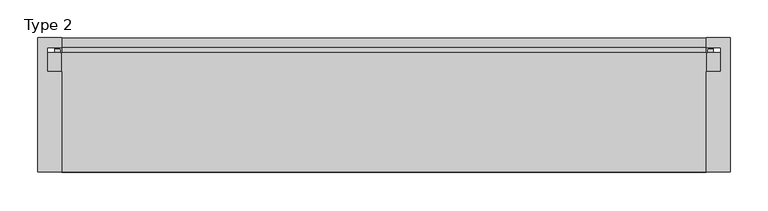
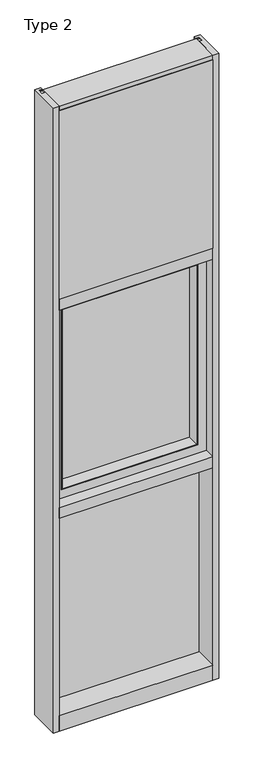
"""IFC4 building model written with IfcOpenShell, lengths in millimetres: plate geometry, Type 2."""

from ifc_helpers import new_model, si_unit, point, frame, frame_2d, origin, place, context, project, spatial, polyline, circle_curve, trimmed, segment, composite_curve, outline, extrude, faceted_brep, source, transform, mapped, element, save


def type_2_5f0fc532(model_context):
    return source(origin(), model_context, "Body", "SolidModel", [
        extrude(outline(composite_curve([segment(polyline([(-425.5265008, 34.0361122), (-425.9374462, 27.686), (-426.9039521, 27.686), (-426.9314595, 31.7563748)]), True, "CONTINUOUS"), segment(trimmed(circle_curve(frame_2d((-427.566445, 31.7520836)), 0.635), [point((-426.9314595, 31.7563748))], [point((-427.5313642, 32.3861138))], True, "CARTESIAN"), True, "CONTINUOUS"), segment(polyline([(-427.5313642, 32.3861138), (-434.2867251, 32.7598869)]), True, "CONTINUOUS"), segment(trimmed(circle_curve(frame_2d((-434.1041718, 33.7593519)), 1.016), [point((-434.2867251, 32.7598869))], [point((-435.0817504, 34.0361122))], False, "CARTESIAN"), True, "CONTINUOUS"), segment(polyline([(-435.0817504, 34.0361122), (-425.5265008, 34.0361122)]), True, "CONTINUOUS")], self_intersect=False)), frame((0.0, 0.0, 2459.3728643), z_axis=(0.0, 0.0, 1.0), x_axis=(1.0, 0.0, 0.0)), (0.0, 0.0, 1.0), 1134.7271357),
        extrude(outline(composite_curve([segment(polyline([(425.9374462, 27.686), (425.5265008, 34.0361122), (435.0817504, 34.0361122)]), True, "CONTINUOUS"), segment(trimmed(circle_curve(frame_2d((434.1041718, 33.7593519)), 1.016), [point((435.0817504, 34.0361122))], [point((434.2867251, 32.7598869))], False, "CARTESIAN"), True, "CONTINUOUS"), segment(polyline([(434.2867251, 32.7598869), (427.5313642, 32.3861138)]), True, "CONTINUOUS"), segment(trimmed(circle_curve(frame_2d((427.566445, 31.7520836)), 0.635), [point((427.5313642, 32.3861138))], [point((426.9314595, 31.7563748))], True, "CARTESIAN"), True, "CONTINUOUS"), segment(polyline([(426.9314595, 31.7563748), (426.9039521, 27.686), (425.9374462, 27.686)]), True, "CONTINUOUS")], self_intersect=False)), frame((0.0, 0.0, 2459.3728643), z_axis=(0.0, 0.0, 1.0), x_axis=(1.0, 0.0, 0.0)), (0.0, 0.0, 1.0), 1134.7271357),
        extrude(outline(polyline([(34.0361122, 2459.3728643), (27.686, 2459.3728643), (27.686, 2471.8771952), (34.0361122, 2470.1238955), (34.0361122, 2459.3728643)])), frame((-435.0817504, 0.0, 0.0), z_axis=(1.0, 0.0, 0.0), x_axis=(0.0, 1.0, 0.0)), (0.0, 0.0, 1.0), 870.1635007),
        extrude(outline(polyline([(425.45, -48.514), (425.45, -131.0159103), (-425.45, -131.0159103), (-425.45, -48.514), (425.45, -48.514)])), frame((0.0, 0.0, 2470.15), z_axis=(0.0, 0.0, 1.0), x_axis=(1.0, 0.0, 0.0)), (0.0, 0.0, 1.0), 1104.9),
        extrude(outline(polyline([(444.5, 27.686), (444.5, 2.286), (-444.5, 2.286), (-444.5, 27.686), (444.5, 27.686)])), frame((0.0, 0.0, 2451.1), z_axis=(0.0, 0.0, 1.0), x_axis=(1.0, 0.0, 0.0)), (0.0, 0.0, 1.0), 1143.0),
        extrude(outline(polyline([(-457.2, -130.5814), (-457.2, 47.2186), (-425.4489108, 47.2186), (-425.4489108, 34.036), (-444.5, 34.036), (-444.5, 2.286), (-425.45, 2.286), (-425.45, -130.5814), (-457.2, -130.5814)])), frame((0.0, 0.0, -57.15), z_axis=(0.0, 0.0, 1.0), x_axis=(1.0, 0.0, 0.0)), (0.0, 0.0, 1.0), 3657.6),
        extrude(outline(polyline([(457.2, -130.5814), (425.45, -130.5814), (425.45, 2.286), (444.5, 2.286), (444.5, 34.036), (425.4489108, 34.036), (425.4489108, 47.2186), (457.2, 47.2186), (457.2, -130.5814)])), frame((0.0, 0.0, -57.15), z_axis=(0.0, 0.0, 1.0), x_axis=(1.0, 0.0, 0.0)), (0.0, 0.0, 1.0), 3657.6),
        faceted_brep([(-392.1125, -63.4904804, 1284.2875), (392.1125, -63.4904804, 1284.2875), (392.1125, -63.4904804, 2373.3125), (-392.1125, -63.4904804, 2373.3125), (-373.85625, -63.4904804, 2355.05625), (373.85625, -63.4904804, 2355.05625), (373.85625, -63.4904804, 1302.54375), (-373.85625, -63.4904804, 1302.54375), (392.1125, -7.9279804, 1284.2875), (-392.1125, -7.9279804, 1284.2875), (-407.6336465, -7.9279804, 1268.7663535), (407.6336465, -7.9279804, 1268.7663535), (407.6336465, -7.9279804, 2388.8336465), (-407.6336465, -7.9279804, 2388.8336465), (-392.1125, -7.9279804, 2373.3125), (392.1125, -7.9279804, 2373.3125), (-425.45, -68.2529804, 1250.95), (425.45, -68.2529804, 1250.95), (425.45, -68.2529804, 2406.65), (-425.45, -68.2529804, 2406.65), (-377.03125, -68.2529804, 2358.23125), (377.03125, -68.2529804, 2358.23125), (377.03125, -68.2529804, 1299.36875), (-377.03125, -68.2529804, 1299.36875), (371.475, -68.2529804, 1304.925), (371.475, 1.5875, 1304.925), (-371.475, 1.5875, 1304.925), (-371.475, -68.2529804, 1304.925), (-373.85625, -68.2529804, 1302.54375), (373.85625, -68.2529804, 1302.54375), (373.85625, -68.2529804, 2355.05625), (-373.85625, -68.2529804, 2355.05625), (-371.475, -68.2529804, 2352.675), (371.475, -68.2529804, 2352.675), (407.6336465, -12.4174268, 2388.8336465), (407.6336465, -12.4174268, 1268.7663535), (409.575, -66.0939347, 2390.775), (409.575, -12.4174268, 2390.775), (409.575, -12.4174268, 1266.825), (409.575, -66.0939347, 1266.825), (377.03125, -66.0939347, 2358.23125), (377.03125, -66.0939347, 1299.36875), (-371.475, 1.5875, 2352.675), (371.475, 1.5875, 2352.675), (-407.6336465, -12.4174268, 1268.7663535), (-407.6336465, -12.4174268, 2388.8336465), (-377.03125, -66.0939347, 1299.36875), (-377.03125, -66.0939347, 2358.23125), (-400.06905, 1.5875, 1276.33095), (-400.06905, 26.9875, 1276.33095), (-400.06905, 26.9875, 2381.26905), (-400.06905, 1.5875, 2381.26905), (-425.45, 26.9875, 1250.95), (-425.45, 26.9875, 2406.65), (-409.575, -66.0939347, 1266.825), (-409.575, -12.4174268, 1266.825), (-409.575, -12.4174268, 2390.775), (-409.575, -66.0939347, 2390.775), (400.06905, 26.9875, 2381.26905), (400.06905, 1.5875, 2381.26905), (425.45, 26.9875, 2406.65), (400.06905, 26.9875, 1276.33095), (400.06905, 1.5875, 1276.33095), (425.45, 26.9875, 1250.95)], [[[0, 1, 2, 3], [4, 5, 6, 7]], [[8, 1, 0, 9]], [[10, 11, 12, 13], [14, 15, 8, 9]], [[16, 17, 18, 19], [20, 21, 22, 23]], [[24, 25, 26, 27]], [[28, 29, 30, 31], [32, 33, 24, 27]], [[6, 29, 28, 7]], [[34, 12, 11, 35]], [[36, 37, 38, 39]], [[21, 40, 41, 22]], [[32, 42, 43, 33]], [[14, 3, 2, 15]], [[44, 10, 13, 45]], [[23, 46, 47, 20]], [[48, 49, 50, 51]], [[27, 26, 42, 32]], [[7, 28, 31, 4]], [[52, 16, 19, 53]], [[9, 0, 3, 14]], [[54, 55, 56, 57]], [[51, 50, 58, 59]], [[4, 31, 30, 5]], [[45, 13, 12, 34]], [[57, 56, 37, 36]], [[20, 47, 40, 21]], [[53, 19, 18, 60]], [[59, 58, 61, 62]], [[33, 43, 25, 24]], [[5, 30, 29, 6]], [[15, 2, 1, 8]], [[60, 18, 17, 63]], [[53, 60, 63, 52], [49, 61, 58, 50]], [[62, 61, 49, 48]], [[51, 59, 62, 48], [26, 25, 43, 42]], [[35, 11, 10, 44]], [[55, 38, 37, 56], [45, 34, 35, 44]], [[39, 38, 55, 54]], [[57, 36, 39, 54], [46, 41, 40, 47]], [[22, 41, 46, 23]], [[63, 17, 16, 52]]]),
        extrude(outline(polyline([(400.06905, 26.9875), (400.06905, 1.5875), (-400.06905, 1.5875), (-400.06905, 26.9875), (400.06905, 26.9875)])), frame((0.0, 0.0, 1276.33095), z_axis=(0.0, 0.0, 1.0), x_axis=(1.0, 0.0, 0.0)), (0.0, 0.0, 1.0), 1104.9381),
        extrude(outline(polyline([(27.686, 33.4752684), (34.036, 31.7219997), (34.036, 20.9709644), (27.686, 20.9709644), (27.686, 33.4752684)])), frame((-435.0828713, 0.0, 0.0), z_axis=(1.0, 0.0, 0.0), x_axis=(0.0, 1.0, 0.0)), (0.0, 0.0, 1.0), 870.1657427),
        extrude(outline(polyline([(27.6860992, 1198.2309356), (34.0360992, 1198.2309356), (34.0360992, 1187.4798775), (27.6860992, 1185.7266088), (27.6860992, 1198.2309356)])), frame((-435.0828713, 0.0, 0.0), z_axis=(1.0, 0.0, 0.0), x_axis=(0.0, 1.0, 0.0)), (0.0, 0.0, 1.0), 870.1657427),
        extrude(outline(composite_curve([segment(trimmed(circle_curve(frame_2d((-427.5675342, 31.7520836)), 0.635), [point((-426.9325487, 31.7563748))], [point((-427.5324534, 32.3861138))], True, "CARTESIAN"), True, "CONTINUOUS"), segment(polyline([(-427.5324534, 32.3861138), (-434.2878143, 32.7598869)]), True, "CONTINUOUS"), segment(trimmed(circle_curve(frame_2d((-434.1052611, 33.7593519)), 1.016), [point((-434.2878143, 32.7598869))], [point((-435.0828713, 34.036))], False, "CARTESIAN"), True, "CONTINUOUS"), segment(polyline([(-435.0828713, 34.036), (-425.5275972, 34.036), (-425.9385354, 27.686), (-426.9050413, 27.686), (-426.9325487, 31.7563748)]), True, "CONTINUOUS")], self_intersect=False)), frame((0.0, 0.0, 20.9709644), z_axis=(0.0, 0.0, 1.0), x_axis=(1.0, 0.0, 0.0)), (0.0, 0.0, 1.0), 1177.2580861),
        extrude(outline(composite_curve([segment(polyline([(425.9385354, 27.686), (425.5275972, 34.036), (435.0828713, 34.036)]), True, "CONTINUOUS"), segment(trimmed(circle_curve(frame_2d((434.1052611, 33.7593519)), 1.016), [point((435.0828713, 34.036))], [point((434.2878143, 32.7598869))], False, "CARTESIAN"), True, "CONTINUOUS"), segment(polyline([(434.2878143, 32.7598869), (427.5324534, 32.3861138)]), True, "CONTINUOUS"), segment(trimmed(circle_curve(frame_2d((427.5675342, 31.7520836)), 0.635), [point((427.5324534, 32.3861138))], [point((426.9325487, 31.7563748))], True, "CARTESIAN"), True, "CONTINUOUS"), segment(polyline([(426.9325487, 31.7563748), (426.9050413, 27.686), (425.9385354, 27.686)]), True, "CONTINUOUS")], self_intersect=False)), frame((0.0, 0.0, 20.9709644), z_axis=(0.0, 0.0, 1.0), x_axis=(1.0, 0.0, 0.0)), (0.0, 0.0, 1.0), 1177.2580861),
        extrude(outline(polyline([(444.5010892, 27.686), (444.5010892, 2.286), (-444.5010892, 2.286), (-444.5010892, 27.686), (444.5010892, 27.686)])), frame((0.0, 0.0, 12.6962001), z_axis=(0.0, 0.0, 1.0), x_axis=(1.0, 0.0, 0.0)), (0.0, 0.0, 1.0), 1193.8037999),
        extrude(outline(polyline([(0.0, 2470.15), (0.0, 2451.1), (34.13125, 2451.1), (34.13125, 2470.1462001), (46.83125, 2470.1462001), (46.83125, 2406.6462001), (34.13125, 2406.6462001), (34.13125, 2425.7), (0.0, 2425.7), (0.0, 2406.65), (-130.175, 2406.65), (-130.175, 2470.15), (0.0, 2470.15)])), frame((-425.45, 0.0, 0.0), z_axis=(1.0, 0.0, 0.0), x_axis=(0.0, 1.0, 0.0)), (0.0, 0.0, 1.0), 850.9),
        extrude(outline(polyline([(-130.0734, 3600.45), (27.686, 3600.45), (27.686, 3594.1), (0.0, 3594.1), (0.0, 3575.051832), (-130.0734, 3575.051832), (-130.0734, 3600.45)])), frame((-425.45, 0.0, 0.0), z_axis=(1.0, 0.0, 0.0), x_axis=(0.0, 1.0, 0.0)), (0.0, 0.0, 1.0), 850.9),
        extrude(outline(polyline([(0.0, 1250.95), (0.0, 1231.9), (34.13125, 1231.9), (34.13125, 1250.9462001), (46.83125, 1250.9462001), (46.83125, 1187.4462001), (34.13125, 1187.4462001), (34.13125, 1206.5), (0.0, 1206.5), (0.0, 1187.45), (-130.175, 1187.45), (-130.175, 1250.95), (0.0, 1250.95)])), frame((-425.45, 0.0, 0.0), z_axis=(1.0, 0.0, 0.0), x_axis=(0.0, 1.0, 0.0)), (0.0, 0.0, 1.0), 850.9),
        extrude(outline(polyline([(0.0, 31.75), (0.0, 12.7), (34.13125, 12.7), (34.13125, 31.751832), (47.2186148, 31.751832), (47.2186148, -57.15), (-130.175, -57.15), (-130.175, 31.75), (0.0, 31.75)])), frame((-425.45, 0.0, 0.0), z_axis=(1.0, 0.0, 0.0), x_axis=(0.0, 1.0, 0.0)), (0.0, 0.0, 1.0), 850.9),
    ])


if __name__ == "__main__":
    model = new_model("IFC4")
    model_context = context("Model", 3, world=origin())
    ifc_project = project(units=[si_unit("LENGTHUNIT", "METRE", prefix="MILLI")], contexts=[model_context])
    site = spatial("IfcSite", under=ifc_project)
    building = spatial("IfcBuilding", under=site)
    placement = place(None, origin())
    type_2_shape = type_2_5f0fc532(model_context)
    element("IfcPlate", 1, ObjectType="Type 2", at=placement, inside=building, context=model_context, shape_type="MappedRepresentation", body=[
        mapped(type_2_shape, transform((0.0, 0.0, 0.0), x_axis=(1.0, 0.0, 0.0), y_axis=(0.0, 1.0, 0.0), z_axis=(0.0, 0.0, 1.0))),
    ])
    save(model, "model.ifc")
